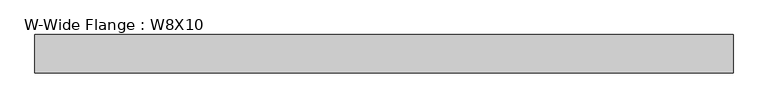
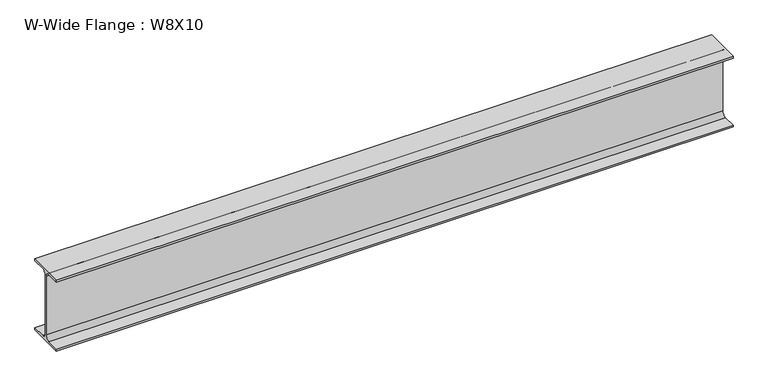
"""IFC4 building model written with IfcOpenShell, lengths in millimetres: beam geometry, W-Wide Flange : W8X10."""

from ifc_helpers import new_model, si_unit, point, frame, frame_2d, origin, place, context, project, spatial, polyline, circle_curve, trimmed, segment, composite_curve, outline, extrude, source, transform, mapped, element, save


def w_wide_flange_w8x10_79513626(model_context):
    return source(origin(), model_context, "Body", "SweptSolid", [
        extrude(outline(composite_curve([segment(polyline([(50.0558594, -95.0515625), (50.0558594, -100.2109375), (-50.0558594, -100.2109375), (-50.0558594, -95.0515625), (-14.4859375, -95.0515625)]), True, "CONTINUOUS"), segment(trimmed(circle_curve(frame_2d((-14.4859375, -82.7484375)), 12.303125), [point((-14.4859375, -95.0515625))], [point((-2.1828125, -82.7484375))], True, "CARTESIAN"), True, "CONTINUOUS"), segment(polyline([(-2.1828125, -82.7484375), (-2.1828125, 82.7484375)]), True, "CONTINUOUS"), segment(trimmed(circle_curve(frame_2d((-14.4859375, 82.7484375)), 12.303125), [point((-2.1828125, 82.7484375))], [point((-14.4859375, 95.0515625))], True, "CARTESIAN"), True, "CONTINUOUS"), segment(polyline([(-14.4859375, 95.0515625), (-50.0558594, 95.0515625), (-50.0558594, 100.2109375), (50.0558594, 100.2109375), (50.0558594, 95.0515625), (14.4859375, 95.0515625)]), True, "CONTINUOUS"), segment(trimmed(circle_curve(frame_2d((14.4859375, 82.7484375)), 12.303125), [point((14.4859375, 95.0515625))], [point((2.1828125, 82.7484375))], True, "CARTESIAN"), True, "CONTINUOUS"), segment(polyline([(2.1828125, 82.7484375), (2.1828125, -82.7484375)]), True, "CONTINUOUS"), segment(trimmed(circle_curve(frame_2d((14.4859375, -82.7484375)), 12.303125), [point((2.1828125, -82.7484375))], [point((14.4859375, -95.0515625))], True, "CARTESIAN"), True, "CONTINUOUS"), segment(polyline([(14.4859375, -95.0515625), (50.0558594, -95.0515625)]), True, "CONTINUOUS")], self_intersect=False)), frame((-797.2992623, 0.0, 0.0), z_axis=(1.0, 0.0, 0.0), x_axis=(0.0, 1.0, 0.0)), (0.0, 0.0, 1.0), 1815.9509433),
    ])


if __name__ == "__main__":
    model = new_model("IFC4")
    model_context = context("Model", 3, world=origin())
    ifc_project = project(units=[si_unit("LENGTHUNIT", "METRE", prefix="MILLI")], contexts=[model_context])
    site = spatial("IfcSite", under=ifc_project)
    building = spatial("IfcBuilding", under=site)
    placement = place(None, origin())
    w_wide_flange_w8x10_shape = w_wide_flange_w8x10_79513626(model_context)
    element("IfcBeam", 1, ObjectType="W-Wide Flange : W8X10", at=placement, inside=building, context=model_context, shape_type="MappedRepresentation", body=[
        mapped(w_wide_flange_w8x10_shape, transform((0.0, 0.0, 0.0), x_axis=(1.0, 0.0, 0.0), y_axis=(0.0, 1.0, 0.0), z_axis=(0.0, 0.0, 1.0))),
    ])
    save(model, "model.ifc")
